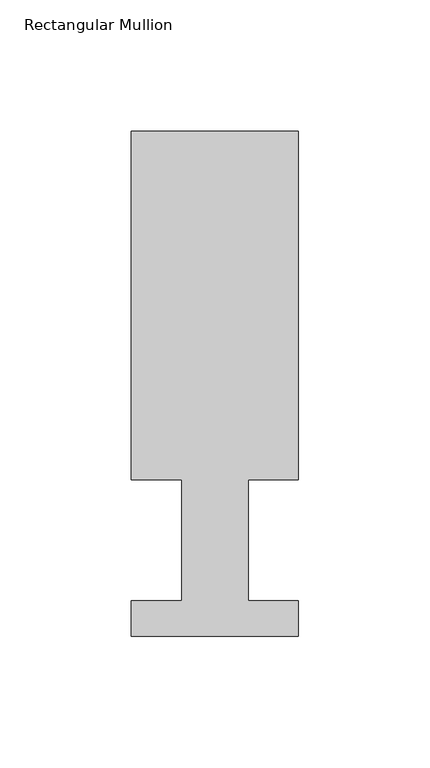
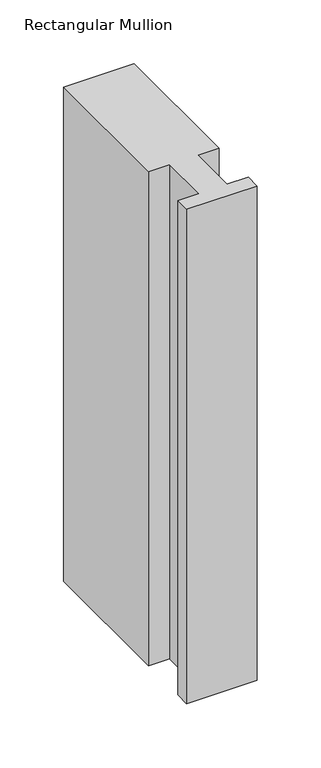
"""IFC4 building model written with IfcOpenShell, lengths in millimetres: member geometry, Rectangular Mullion."""

from ifc_helpers import new_model, si_unit, frame, origin, place, context, project, spatial, polyline, outline, extrude, source, transform, mapped, element, save


def rectangular_mullion_576fced1(model_context):
    return source(origin(), model_context, "Body", "SweptSolid", [
        extrude(outline(polyline([(-63.5, 192.09385), (0.0, 192.09385), (0.0, 59.53125), (-19.0373, 59.53125), (-19.0373, 13.50645), (0.0, 13.50645), (0.0, 0.04445), (-63.5, 0.04445), (-63.5, 13.50645), (-44.45, 13.50645), (-44.45, 59.53125), (-63.5, 59.53125), (-63.5, 192.09385)])), frame((0.0, 0.0, -472.0166667), z_axis=(0.0, 0.0, 1.0), x_axis=(1.0, 0.0, 0.0)), (0.0, 0.0, 1.0), 472.0166667),
    ])


if __name__ == "__main__":
    model = new_model("IFC4")
    model_context = context("Model", 3, world=origin())
    ifc_project = project(units=[si_unit("LENGTHUNIT", "METRE", prefix="MILLI")], contexts=[model_context])
    site = spatial("IfcSite", under=ifc_project)
    building = spatial("IfcBuilding", under=site)
    placement = place(None, origin())
    rectangular_mullion_shape = rectangular_mullion_576fced1(model_context)
    element("IfcMember", 1, ObjectType="Rectangular Mullion", at=placement, inside=building, context=model_context, shape_type="MappedRepresentation", body=[
        mapped(rectangular_mullion_shape, transform((0.0, 0.0, 0.0), x_axis=(1.0, 0.0, 0.0), y_axis=(0.0, 1.0, 0.0), z_axis=(0.0, 0.0, 1.0))),
    ])
    save(model, "model.ifc")
